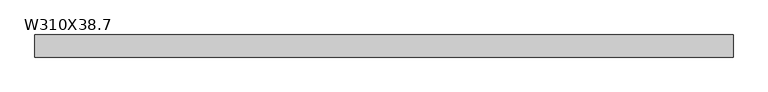
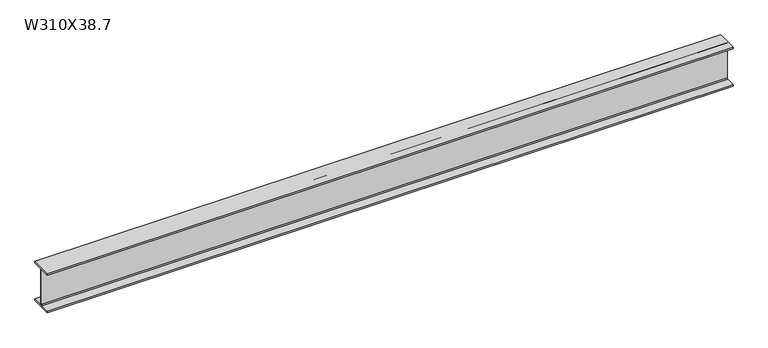
"""IFC4 building model written with IfcOpenShell, lengths in millimetres: beam geometry, W310X38.7."""

from ifc_helpers import new_model, si_unit, point, frame, frame_2d, origin, place, context, project, spatial, polyline, circle_curve, trimmed, segment, composite_curve, outline, extrude, source, transform, mapped, element, save


def w310x38_7_c9ca2531(model_context):
    return source(origin(), model_context, "Body", "SweptSolid", [
        extrude(outline(composite_curve([segment(polyline([(82.5, -145.35), (82.5, -155.0), (-82.5, -155.0), (-82.5, -145.35), (-10.57, -145.35)]), True, "CONTINUOUS"), segment(trimmed(circle_curve(frame_2d((-10.57, -137.7)), 7.65), [point((-10.57, -145.35))], [point((-2.92, -137.7))], True, "CARTESIAN"), True, "CONTINUOUS"), segment(polyline([(-2.92, -137.7), (-2.92, 137.7)]), True, "CONTINUOUS"), segment(trimmed(circle_curve(frame_2d((-10.57, 137.7)), 7.65), [point((-2.92, 137.7))], [point((-10.57, 145.35))], True, "CARTESIAN"), True, "CONTINUOUS"), segment(polyline([(-10.57, 145.35), (-82.5, 145.35), (-82.5, 155.0), (82.5, 155.0), (82.5, 145.35), (10.57, 145.35)]), True, "CONTINUOUS"), segment(trimmed(circle_curve(frame_2d((10.57, 137.7)), 7.65), [point((10.57, 145.35))], [point((2.92, 137.7))], True, "CARTESIAN"), True, "CONTINUOUS"), segment(polyline([(2.92, 137.7), (2.92, -137.7)]), True, "CONTINUOUS"), segment(trimmed(circle_curve(frame_2d((10.57, -137.7)), 7.65), [point((2.92, -137.7))], [point((10.57, -145.35))], True, "CARTESIAN"), True, "CONTINUOUS"), segment(polyline([(10.57, -145.35), (82.5, -145.35)]), True, "CONTINUOUS")], self_intersect=False)), frame((-2600.0, 0.0, 0.0), z_axis=(1.0, 0.0, 0.0), x_axis=(0.0, 1.0, 0.0)), (0.0, 0.0, 1.0), 5200.0),
    ])


if __name__ == "__main__":
    model = new_model("IFC4")
    model_context = context("Model", 3, world=origin())
    ifc_project = project(units=[si_unit("LENGTHUNIT", "METRE", prefix="MILLI")], contexts=[model_context])
    site = spatial("IfcSite", under=ifc_project)
    building = spatial("IfcBuilding", under=site)
    placement = place(None, origin())
    w310x38_7_shape = w310x38_7_c9ca2531(model_context)
    element("IfcBeam", 1, ObjectType="W310X38.7", at=placement, inside=building, context=model_context, shape_type="MappedRepresentation", body=[
        mapped(w310x38_7_shape, transform((0.0, 0.0, 0.0), x_axis=(1.0, 0.0, 0.0), y_axis=(0.0, 1.0, 0.0), z_axis=(0.0, 0.0, 1.0))),
    ])
    save(model, "model.ifc")
